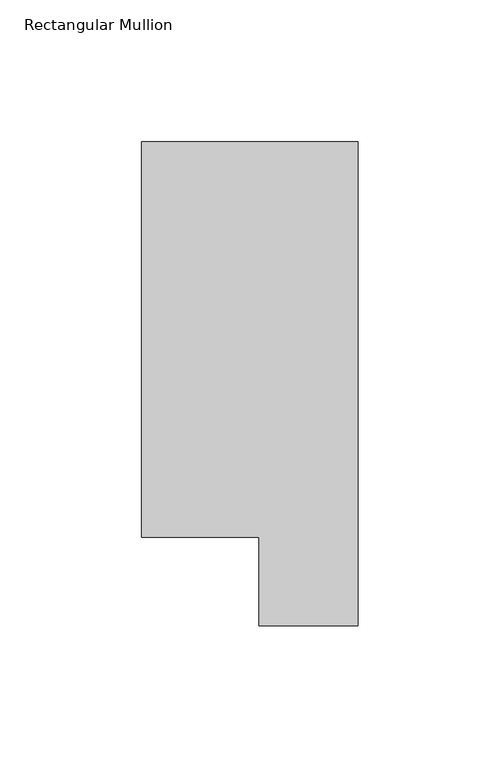
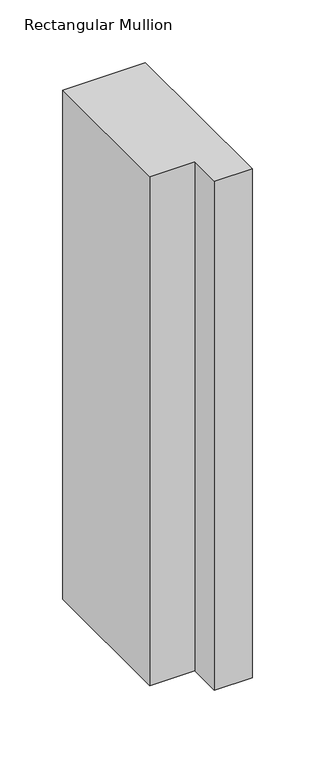
"""IFC4 building model written with IfcOpenShell, lengths in millimetres: member geometry, Rectangular Mullion."""

from ifc_helpers import new_model, si_unit, frame, origin, place, context, project, spatial, polyline, outline, extrude, source, transform, mapped, element, save


def rectangular_mullion_7efce8b9(model_context):
    return source(origin(), model_context, "Body", "SweptSolid", [
        extrude(outline(polyline([(-76.2, 190.0007313), (0.0, 190.0007313), (0.0, 19.5667313), (-34.9123, 19.5667313), (-34.9123, 50.820278), (-76.2, 50.820278), (-76.2, 190.0007313)])), frame((0.0, 0.0, -495.6218524), z_axis=(0.0, 0.0, 1.0), x_axis=(1.0, 0.0, 0.0)), (0.0, 0.0, 1.0), 495.6218524),
    ])


if __name__ == "__main__":
    model = new_model("IFC4")
    model_context = context("Model", 3, world=origin())
    ifc_project = project(units=[si_unit("LENGTHUNIT", "METRE", prefix="MILLI")], contexts=[model_context])
    site = spatial("IfcSite", under=ifc_project)
    building = spatial("IfcBuilding", under=site)
    placement = place(None, origin())
    rectangular_mullion_shape = rectangular_mullion_7efce8b9(model_context)
    element("IfcMember", 1, ObjectType="Rectangular Mullion", at=placement, inside=building, context=model_context, shape_type="MappedRepresentation", body=[
        mapped(rectangular_mullion_shape, transform((0.0, 0.0, 0.0), x_axis=(1.0, 0.0, 0.0), y_axis=(0.0, 1.0, 0.0), z_axis=(0.0, 0.0, 1.0))),
    ])
    save(model, "model.ifc")
